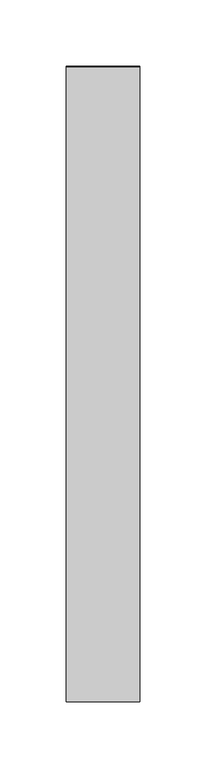
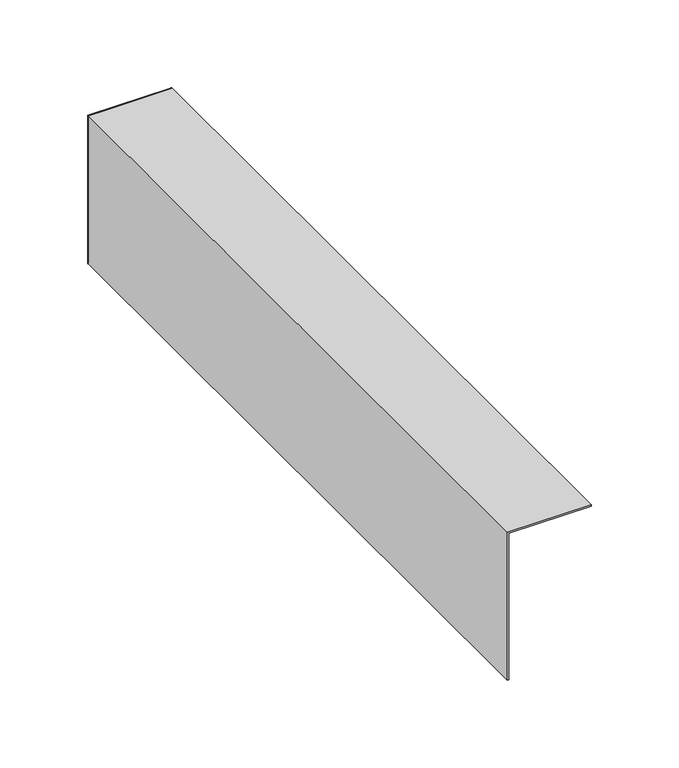
"""IFC4 building model written with IfcOpenShell, lengths in millimetres: furniture geometry."""

from ifc_helpers import new_model, si_unit, frame, origin, place, context, project, spatial, polyline, outline, extrude, source, transform, mapped, element, save


def furniture_4544db61(model_context):
    return source(origin(), model_context, "Body", "SweptSolid", [
        extrude(outline(polyline([(90.2969956, 239.3104654), (34.9250008, 239.3104654), (34.9250008, 239.6914742), (90.2969956, 239.6914742), (90.2969956, 239.3104654)])), frame((0.0, 0.0, 332.4660802), z_axis=(0.0, 0.0, 1.0), x_axis=(1.0, 0.0, 0.0)), (0.0, 0.0, 1.0), 103.1240107),
        extrude(outline(polyline([(435.5900908, 90.2773059), (435.5900908, 34.9250008), (332.4660802, 34.9250008), (332.4660802, 35.8253563), (434.6768117, 35.8253563), (434.6768117, 90.2773059), (435.5900908, 90.2773059)])), frame((0.0, -239.74287, 0.0), z_axis=(0.0, 1.0, 0.0), x_axis=(0.0, 0.0, 1.0)), (0.0, 0.0, 1.0), 479.48574),
    ])


if __name__ == "__main__":
    model = new_model("IFC4")
    model_context = context("Model", 3, world=origin())
    ifc_project = project(units=[si_unit("LENGTHUNIT", "METRE", prefix="MILLI")], contexts=[model_context])
    site = spatial("IfcSite", under=ifc_project)
    building = spatial("IfcBuilding", under=site)
    placement = place(None, origin())
    furniture_shape = furniture_4544db61(model_context)
    element("IfcFurniture", 1, at=placement, inside=building, context=model_context, shape_type="MappedRepresentation", body=[
        mapped(furniture_shape, transform((0.0, 0.0, 0.0), x_axis=(1.0, 0.0, 0.0), y_axis=(0.0, 1.0, 0.0), z_axis=(0.0, 0.0, 1.0))),
    ])
    save(model, "model.ifc")
